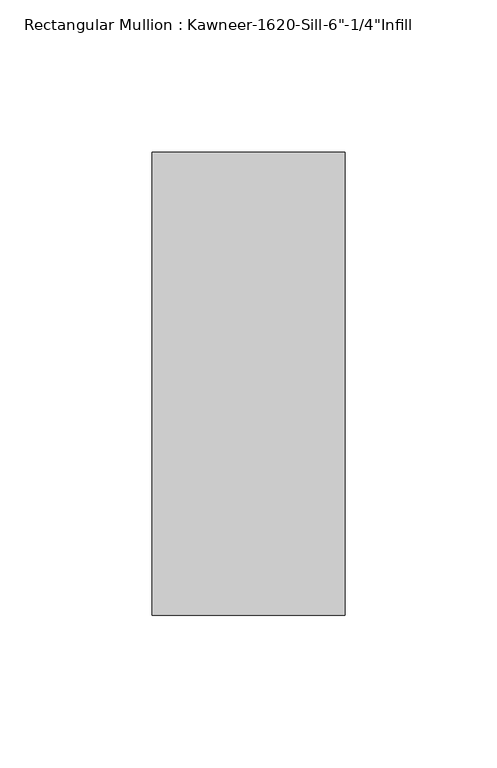
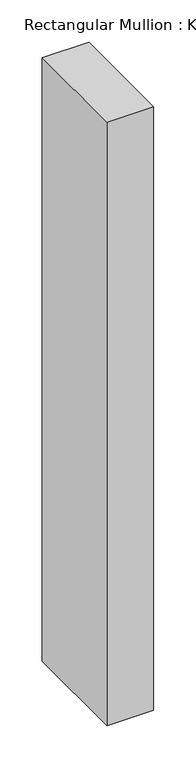
"""IFC4 building model written with IfcOpenShell, lengths in millimetres: member geometry."""

from ifc_helpers import new_model, si_unit, frame, origin, place, context, project, spatial, polyline, outline, extrude, source, transform, mapped, element, save


def member_55db43c3(model_context):
    return source(origin(), model_context, "Body", "SweptSolid", [
        extrude(outline(polyline([(-63.5, 28.575), (0.0, 28.575), (0.0, -123.825), (-63.5, -123.825), (-63.5, 28.575)])), frame((0.0, 0.0, -866.775), z_axis=(0.0, 0.0, 1.0), x_axis=(1.0, 0.0, 0.0)), (0.0, 0.0, 1.0), 866.775),
    ])


if __name__ == "__main__":
    model = new_model("IFC4")
    model_context = context("Model", 3, world=origin())
    ifc_project = project(units=[si_unit("LENGTHUNIT", "METRE", prefix="MILLI")], contexts=[model_context])
    site = spatial("IfcSite", under=ifc_project)
    building = spatial("IfcBuilding", under=site)
    placement = place(None, origin())
    member_shape = member_55db43c3(model_context)
    element("IfcMember", 1, ObjectType="Rectangular Mullion : Kawneer-1620-Sill-6\"-1/4\"Infill", at=placement, inside=building, context=model_context, shape_type="MappedRepresentation", body=[
        mapped(member_shape, transform((0.0, 0.0, 0.0), x_axis=(1.0, 0.0, 0.0), y_axis=(0.0, 1.0, 0.0), z_axis=(0.0, 0.0, 1.0))),
    ])
    save(model, "model.ifc")
